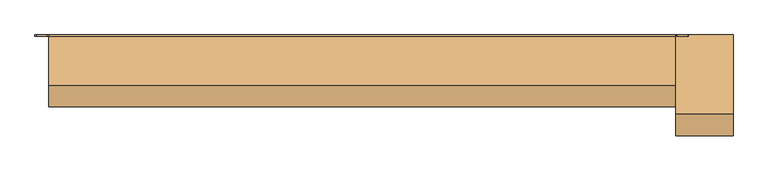
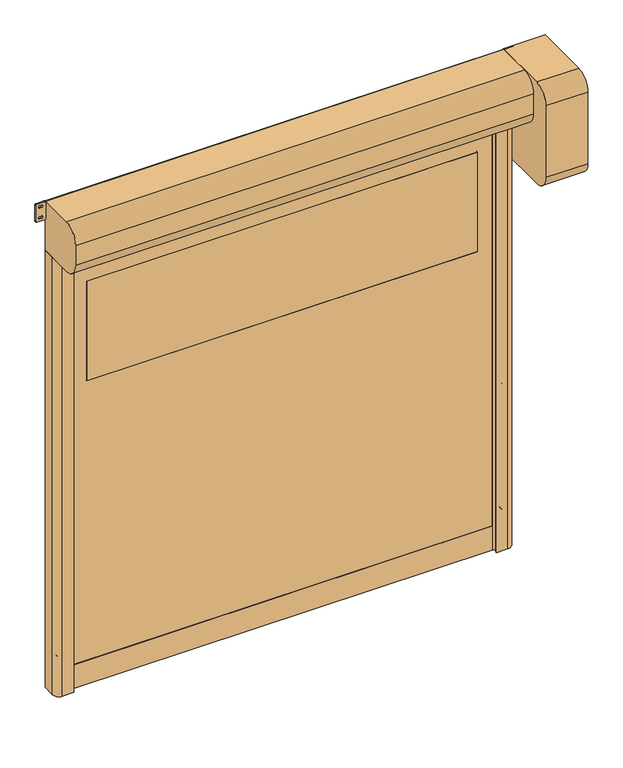
"""IFC4 building model written with IfcOpenShell, lengths in millimetres: door geometry."""

from ifc_helpers import new_model, si_unit, point, frame, frame_2d, origin, origin_with_axes, place, context, project, spatial, polyline, circle_curve, trimmed, segment, composite_curve, outline, extrude, source, transform, mapped, element, save


def door_0f29b29e(model_context):
    return source(origin(), model_context, "Body", "SweptSolid", [
        extrude(outline(composite_curve([segment(trimmed(circle_curve(frame_2d((1416.6666667, 1048.5)), 6.0), [point((1422.6666667, 1048.5))], [point((1410.6666667, 1048.5))], False, "CARTESIAN"), True, "CONTINUOUS"), segment(polyline([(1410.6666667, 1048.5), (1410.6666667, 1066.5)]), True, "CONTINUOUS"), segment(trimmed(circle_curve(frame_2d((1416.6666667, 1066.5)), 6.0), [point((1410.6666667, 1066.5))], [point((1422.6666667, 1066.5))], False, "CARTESIAN"), True, "CONTINUOUS"), segment(polyline([(1422.6666667, 1066.5), (1422.6666667, 1048.5)]), True, "CONTINUOUS")], self_intersect=False)), frame((0.0, -20.0, 0.0), z_axis=(0.0, 1.0, 0.0), x_axis=(0.0, 0.0, 1.0)), (0.0, 0.0, 1.0), 20.0),
        extrude(outline(composite_curve([segment(trimmed(circle_curve(frame_2d((783.3333333, 1048.5)), 6.0), [point((789.3333333, 1048.5))], [point((777.3333333, 1048.5))], False, "CARTESIAN"), True, "CONTINUOUS"), segment(polyline([(777.3333333, 1048.5), (777.3333333, 1066.5)]), True, "CONTINUOUS"), segment(trimmed(circle_curve(frame_2d((783.3333333, 1066.5)), 6.0), [point((777.3333333, 1066.5))], [point((789.3333333, 1066.5))], False, "CARTESIAN"), True, "CONTINUOUS"), segment(polyline([(789.3333333, 1066.5), (789.3333333, 1048.5)]), True, "CONTINUOUS")], self_intersect=False)), frame((0.0, -20.0, 0.0), z_axis=(0.0, 1.0, 0.0), x_axis=(0.0, 0.0, 1.0)), (0.0, 0.0, 1.0), 20.0),
        extrude(outline(composite_curve([segment(trimmed(circle_curve(frame_2d((2050.0, 1048.5)), 6.0), [point((2056.0, 1048.5))], [point((2044.0, 1048.5))], False, "CARTESIAN"), True, "CONTINUOUS"), segment(polyline([(2044.0, 1048.5), (2044.0, 1066.5)]), True, "CONTINUOUS"), segment(trimmed(circle_curve(frame_2d((2050.0, 1066.5)), 6.0), [point((2044.0, 1066.5))], [point((2056.0, 1066.5))], False, "CARTESIAN"), True, "CONTINUOUS"), segment(polyline([(2056.0, 1066.5), (2056.0, 1048.5)]), True, "CONTINUOUS")], self_intersect=False)), frame((0.0, -20.0, 0.0), z_axis=(0.0, 1.0, 0.0), x_axis=(0.0, 0.0, 1.0)), (0.0, 0.0, 1.0), 20.0),
        extrude(outline(composite_curve([segment(trimmed(circle_curve(frame_2d((150.0, 1048.5)), 6.0), [point((156.0, 1048.5))], [point((144.0, 1048.5))], False, "CARTESIAN"), True, "CONTINUOUS"), segment(polyline([(144.0, 1048.5), (144.0, 1066.5)]), True, "CONTINUOUS"), segment(trimmed(circle_curve(frame_2d((150.0, 1066.5)), 6.0), [point((144.0, 1066.5))], [point((156.0, 1066.5))], False, "CARTESIAN"), True, "CONTINUOUS"), segment(polyline([(156.0, 1066.5), (156.0, 1048.5)]), True, "CONTINUOUS")], self_intersect=False)), frame((0.0, -20.0, 0.0), z_axis=(0.0, 1.0, 0.0), x_axis=(0.0, 0.0, 1.0)), (0.0, 0.0, 1.0), 20.0),
        extrude(outline(composite_curve([segment(polyline([(1422.6666667, -1048.5), (1422.6666667, -1066.5)]), True, "CONTINUOUS"), segment(trimmed(circle_curve(frame_2d((1416.6666667, -1066.5)), 6.0), [point((1422.6666667, -1066.5))], [point((1410.6666667, -1066.5))], False, "CARTESIAN"), True, "CONTINUOUS"), segment(polyline([(1410.6666667, -1066.5), (1410.6666667, -1048.5)]), True, "CONTINUOUS"), segment(trimmed(circle_curve(frame_2d((1416.6666667, -1048.5)), 6.0), [point((1410.6666667, -1048.5))], [point((1422.6666667, -1048.5))], False, "CARTESIAN"), True, "CONTINUOUS")], self_intersect=False)), frame((0.0, -20.0, 0.0), z_axis=(0.0, 1.0, 0.0), x_axis=(0.0, 0.0, 1.0)), (0.0, 0.0, 1.0), 20.0),
        extrude(outline(composite_curve([segment(polyline([(789.3333333, -1048.5), (789.3333333, -1066.5)]), True, "CONTINUOUS"), segment(trimmed(circle_curve(frame_2d((783.3333333, -1066.5)), 6.0), [point((789.3333333, -1066.5))], [point((777.3333333, -1066.5))], False, "CARTESIAN"), True, "CONTINUOUS"), segment(polyline([(777.3333333, -1066.5), (777.3333333, -1048.5)]), True, "CONTINUOUS"), segment(trimmed(circle_curve(frame_2d((783.3333333, -1048.5)), 6.0), [point((777.3333333, -1048.5))], [point((789.3333333, -1048.5))], False, "CARTESIAN"), True, "CONTINUOUS")], self_intersect=False)), frame((0.0, -20.0, 0.0), z_axis=(0.0, 1.0, 0.0), x_axis=(0.0, 0.0, 1.0)), (0.0, 0.0, 1.0), 20.0),
        extrude(outline(composite_curve([segment(polyline([(2056.0, -1048.5), (2056.0, -1066.5)]), True, "CONTINUOUS"), segment(trimmed(circle_curve(frame_2d((2050.0, -1066.5)), 6.0), [point((2056.0, -1066.5))], [point((2044.0, -1066.5))], False, "CARTESIAN"), True, "CONTINUOUS"), segment(polyline([(2044.0, -1066.5), (2044.0, -1048.5)]), True, "CONTINUOUS"), segment(trimmed(circle_curve(frame_2d((2050.0, -1048.5)), 6.0), [point((2044.0, -1048.5))], [point((2056.0, -1048.5))], False, "CARTESIAN"), True, "CONTINUOUS")], self_intersect=False)), frame((0.0, -20.0, 0.0), z_axis=(0.0, 1.0, 0.0), x_axis=(0.0, 0.0, 1.0)), (0.0, 0.0, 1.0), 20.0),
        extrude(outline(composite_curve([segment(polyline([(156.0, -1048.5), (156.0, -1066.5)]), True, "CONTINUOUS"), segment(trimmed(circle_curve(frame_2d((150.0, -1066.5)), 6.0), [point((156.0, -1066.5))], [point((144.0, -1066.5))], False, "CARTESIAN"), True, "CONTINUOUS"), segment(polyline([(144.0, -1066.5), (144.0, -1048.5)]), True, "CONTINUOUS"), segment(trimmed(circle_curve(frame_2d((150.0, -1048.5)), 6.0), [point((144.0, -1048.5))], [point((156.0, -1048.5))], False, "CARTESIAN"), True, "CONTINUOUS")], self_intersect=False)), frame((0.0, -20.0, 0.0), z_axis=(0.0, 1.0, 0.0), x_axis=(0.0, 0.0, 1.0)), (0.0, 0.0, 1.0), 20.0),
        extrude(outline(composite_curve([segment(trimmed(circle_curve(frame_2d((1526.0, 929.0)), 1.0), [point((1525.0, 929.0))], [point((1526.0, 930.0))], False, "CARTESIAN"), True, "CONTINUOUS"), segment(polyline([(1526.0, 930.0), (2024.0, 930.0)]), True, "CONTINUOUS"), segment(trimmed(circle_curve(frame_2d((2024.0, 929.0)), 1.0), [point((2024.0, 930.0))], [point((2025.0, 929.0))], False, "CARTESIAN"), True, "CONTINUOUS"), segment(polyline([(2025.0, 929.0), (2025.0, -929.0)]), True, "CONTINUOUS"), segment(trimmed(circle_curve(frame_2d((2024.0, -929.0)), 1.0), [point((2025.0, -929.0))], [point((2024.0, -930.0))], False, "CARTESIAN"), True, "CONTINUOUS"), segment(polyline([(2024.0, -930.0), (1526.0, -930.0)]), True, "CONTINUOUS"), segment(trimmed(circle_curve(frame_2d((1526.0, -929.0)), 1.0), [point((1526.0, -930.0))], [point((1525.0, -929.0))], False, "CARTESIAN"), True, "CONTINUOUS"), segment(polyline([(1525.0, -929.0), (1525.0, 929.0)]), True, "CONTINUOUS")], self_intersect=False)), frame((0.0, -63.5, 0.0), z_axis=(0.0, 1.0, 0.0), x_axis=(0.0, 0.0, 1.0)), (0.0, 0.0, 1.0), 7.0),
        extrude(outline(polyline([(120.0, -1012.0), (120.0, 1012.0), (2325.0, 1012.0), (2325.0, -1012.0), (120.0, -1012.0)]), holes=[composite_curve([segment(trimmed(circle_curve(frame_2d((1526.0, 929.0)), 1.0), [point((1526.0, 930.0))], [point((1525.0, 929.0))], True, "CARTESIAN"), True, "CONTINUOUS"), segment(polyline([(1525.0, 929.0), (1525.0, -929.0)]), True, "CONTINUOUS"), segment(trimmed(circle_curve(frame_2d((1526.0, -929.0)), 1.0), [point((1525.0, -929.0))], [point((1526.0, -930.0))], True, "CARTESIAN"), True, "CONTINUOUS"), segment(polyline([(1526.0, -930.0), (2024.0, -930.0)]), True, "CONTINUOUS"), segment(trimmed(circle_curve(frame_2d((2024.0, -929.0)), 1.0), [point((2024.0, -930.0))], [point((2025.0, -929.0))], True, "CARTESIAN"), True, "CONTINUOUS"), segment(polyline([(2025.0, -929.0), (2025.0, 929.0)]), True, "CONTINUOUS"), segment(trimmed(circle_curve(frame_2d((2024.0, 929.0)), 1.0), [point((2025.0, 929.0))], [point((2024.0, 930.0))], True, "CARTESIAN"), True, "CONTINUOUS"), segment(polyline([(2024.0, 930.0), (1526.0, 930.0)]), True, "CONTINUOUS")], self_intersect=False)]), frame((0.0, -63.5, 0.0), z_axis=(0.0, 1.0, 0.0), x_axis=(0.0, 0.0, 1.0)), (0.0, 0.0, 1.0), 7.0),
        extrude(outline(polyline([(-1012.0, -54.5), (1012.0, -54.5), (1012.0, -65.5), (-1012.0, -65.5), (-1012.0, -54.5)])), origin_with_axes(), (0.0, 0.0, 1.0), 120.0),
        extrude(outline(composite_curve([segment(trimmed(circle_curve(frame_2d((2363.75, 1095.75)), 5.75), [point((2363.75, 1090.0))], [point((2358.0, 1095.75))], False, "CARTESIAN"), True, "CONTINUOUS"), segment(polyline([(2358.0, 1095.75), (2358.0, 1133.25)]), True, "CONTINUOUS"), segment(trimmed(circle_curve(frame_2d((2363.75, 1133.25)), 5.75), [point((2358.0, 1133.25))], [point((2363.75, 1139.0))], False, "CARTESIAN"), True, "CONTINUOUS"), segment(polyline([(2363.75, 1139.0), (2444.25, 1139.0)]), True, "CONTINUOUS"), segment(trimmed(circle_curve(frame_2d((2444.25, 1133.25)), 5.75), [point((2444.25, 1139.0))], [point((2450.0, 1133.25))], False, "CARTESIAN"), True, "CONTINUOUS"), segment(polyline([(2450.0, 1133.25), (2450.0, 1095.75)]), True, "CONTINUOUS"), segment(trimmed(circle_curve(frame_2d((2444.25, 1095.75)), 5.75), [point((2450.0, 1095.75))], [point((2444.25, 1090.0))], False, "CARTESIAN"), True, "CONTINUOUS"), segment(polyline([(2444.25, 1090.0), (2363.75, 1090.0)]), True, "CONTINUOUS")], self_intersect=False), holes=[composite_curve([segment(trimmed(circle_curve(frame_2d((2431.5, 1118.75)), 5.75), [point((2437.25, 1118.75))], [point((2425.75, 1118.75))], True, "CARTESIAN"), True, "CONTINUOUS"), segment(polyline([(2425.75, 1118.75), (2425.75, 1110.25)]), True, "CONTINUOUS"), segment(trimmed(circle_curve(frame_2d((2431.5, 1110.25)), 5.75), [point((2425.75, 1110.25))], [point((2437.25, 1110.25))], True, "CARTESIAN"), True, "CONTINUOUS"), segment(polyline([(2437.25, 1110.25), (2437.25, 1118.75)]), True, "CONTINUOUS")], self_intersect=False), composite_curve([segment(trimmed(circle_curve(frame_2d((2376.5, 1118.75)), 5.75), [point((2382.25, 1118.75))], [point((2370.75, 1118.75))], True, "CARTESIAN"), True, "CONTINUOUS"), segment(polyline([(2370.75, 1118.75), (2370.75, 1110.25)]), True, "CONTINUOUS"), segment(trimmed(circle_curve(frame_2d((2376.5, 1110.25)), 5.75), [point((2370.75, 1110.25))], [point((2382.25, 1110.25))], True, "CARTESIAN"), True, "CONTINUOUS"), segment(polyline([(2382.25, 1110.25), (2382.25, 1118.75)]), True, "CONTINUOUS")], self_intersect=False)]), frame((0.0, -5.0, 0.0), z_axis=(0.0, 1.0, 0.0), x_axis=(0.0, 0.0, 1.0)), (0.0, 0.0, 1.0), 5.0),
        extrude(outline(composite_curve([segment(trimmed(circle_curve(frame_2d((2363.75, -1133.25)), 5.75), [point((2363.75, -1139.0))], [point((2358.0, -1133.25))], False, "CARTESIAN"), True, "CONTINUOUS"), segment(polyline([(2358.0, -1133.25), (2358.0, -1095.75)]), True, "CONTINUOUS"), segment(trimmed(circle_curve(frame_2d((2363.75, -1095.75)), 5.75), [point((2358.0, -1095.75))], [point((2363.75, -1090.0))], False, "CARTESIAN"), True, "CONTINUOUS"), segment(polyline([(2363.75, -1090.0), (2444.25, -1090.0)]), True, "CONTINUOUS"), segment(trimmed(circle_curve(frame_2d((2444.25, -1095.75)), 5.75), [point((2444.25, -1090.0))], [point((2450.0, -1095.75))], False, "CARTESIAN"), True, "CONTINUOUS"), segment(polyline([(2450.0, -1095.75), (2450.0, -1133.25)]), True, "CONTINUOUS"), segment(trimmed(circle_curve(frame_2d((2444.25, -1133.25)), 5.75), [point((2450.0, -1133.25))], [point((2444.25, -1139.0))], False, "CARTESIAN"), True, "CONTINUOUS"), segment(polyline([(2444.25, -1139.0), (2363.75, -1139.0)]), True, "CONTINUOUS")], self_intersect=False), holes=[composite_curve([segment(trimmed(circle_curve(frame_2d((2431.5, -1110.25)), 5.75), [point((2437.25, -1110.25))], [point((2425.75, -1110.25))], True, "CARTESIAN"), True, "CONTINUOUS"), segment(polyline([(2425.75, -1110.25), (2425.75, -1118.75)]), True, "CONTINUOUS"), segment(trimmed(circle_curve(frame_2d((2431.5, -1118.75)), 5.75), [point((2425.75, -1118.75))], [point((2437.25, -1118.75))], True, "CARTESIAN"), True, "CONTINUOUS"), segment(polyline([(2437.25, -1118.75), (2437.25, -1110.25)]), True, "CONTINUOUS")], self_intersect=False), composite_curve([segment(trimmed(circle_curve(frame_2d((2376.5, -1110.25)), 5.75), [point((2382.25, -1110.25))], [point((2370.75, -1110.25))], True, "CARTESIAN"), True, "CONTINUOUS"), segment(polyline([(2370.75, -1110.25), (2370.75, -1118.75)]), True, "CONTINUOUS"), segment(trimmed(circle_curve(frame_2d((2376.5, -1118.75)), 5.75), [point((2370.75, -1118.75))], [point((2382.25, -1118.75))], True, "CARTESIAN"), True, "CONTINUOUS"), segment(polyline([(2382.25, -1118.75), (2382.25, -1110.25)]), True, "CONTINUOUS")], self_intersect=False)]), frame((0.0, -5.0, 0.0), z_axis=(0.0, 1.0, 0.0), x_axis=(0.0, 0.0, 1.0)), (0.0, 0.0, 1.0), 5.0),
        extrude(outline(composite_curve([segment(polyline([(-1090.0, 0.0), (-1015.0, 0.0), (-1015.0, -44.2857143), (-1035.0, -50.0), (-1000.0, -50.0), (-1000.0, -56.5), (-1020.0, -56.5), (-1020.0, -63.5), (-1000.0, -63.5), (-1000.0, -70.0), (-1035.0, -70.0), (-1035.0, -85.0), (-1005.0, -85.0), (-1005.0, -90.0), (-1060.0, -90.0)]), True, "CONTINUOUS"), segment(trimmed(circle_curve(frame_2d((-1060.0, -60.0)), 30.0), [point((-1060.0, -90.0))], [point((-1090.0, -60.0))], False, "CARTESIAN"), True, "CONTINUOUS"), segment(polyline([(-1090.0, -60.0), (-1090.0, 0.0)]), True, "CONTINUOUS")], self_intersect=False)), origin_with_axes(), (0.0, 0.0, 1.0), 2200.0),
        extrude(outline(composite_curve([segment(polyline([(1090.0, 0.0), (1090.0, -60.0)]), True, "CONTINUOUS"), segment(trimmed(circle_curve(frame_2d((1060.0, -60.0)), 30.0), [point((1090.0, -60.0))], [point((1060.0, -90.0))], False, "CARTESIAN"), True, "CONTINUOUS"), segment(polyline([(1060.0, -90.0), (1005.0, -90.0), (1005.0, -85.0), (1035.0, -85.0), (1035.0, -70.0), (1000.0, -70.0), (1000.0, -63.5), (1020.0, -63.5), (1020.0, -56.5), (1000.0, -56.5), (1000.0, -50.0), (1035.0, -50.0), (1015.0, -44.2857143), (1015.0, 0.0), (1090.0, 0.0)]), True, "CONTINUOUS")], self_intersect=False)), origin_with_axes(), (0.0, 0.0, 1.0), 2200.0),
        extrude(outline(composite_curve([segment(polyline([(0.0, 2450.0), (0.0, 1940.0), (-275.0, 1940.0)]), True, "CONTINUOUS"), segment(trimmed(circle_curve(frame_2d((-275.0, 2015.0)), 75.0), [point((-275.0, 1940.0))], [point((-350.0, 2015.0))], False, "CARTESIAN"), True, "CONTINUOUS"), segment(polyline([(-350.0, 2015.0), (-350.0, 2375.0)]), True, "CONTINUOUS"), segment(trimmed(circle_curve(frame_2d((-275.0, 2375.0)), 75.0), [point((-350.0, 2375.0))], [point((-275.0, 2450.0))], False, "CARTESIAN"), True, "CONTINUOUS"), segment(polyline([(-275.0, 2450.0), (0.0, 2450.0)]), True, "CONTINUOUS")], self_intersect=False)), frame((1090.0, 0.0, 0.0), z_axis=(1.0, 0.0, 0.0), x_axis=(0.0, 1.0, 0.0)), (0.0, 0.0, 1.0), 200.0),
        extrude(outline(composite_curve([segment(trimmed(circle_curve(frame_2d((-5.0, 2205.0)), 5.0), [point((0.0, 2205.0))], [point((-5.0, 2200.0))], False, "CARTESIAN"), True, "CONTINUOUS"), segment(polyline([(-5.0, 2200.0), (-175.0, 2200.0)]), True, "CONTINUOUS"), segment(trimmed(circle_curve(frame_2d((-175.0, 2275.0)), 75.0), [point((-175.0, 2200.0))], [point((-250.0, 2275.0))], False, "CARTESIAN"), True, "CONTINUOUS"), segment(polyline([(-250.0, 2275.0), (-250.0, 2375.0)]), True, "CONTINUOUS"), segment(trimmed(circle_curve(frame_2d((-175.0, 2375.0)), 75.0), [point((-250.0, 2375.0))], [point((-175.0, 2450.0))], False, "CARTESIAN"), True, "CONTINUOUS"), segment(polyline([(-175.0, 2450.0), (-5.0, 2450.0)]), True, "CONTINUOUS"), segment(trimmed(circle_curve(frame_2d((-5.0, 2445.0)), 5.0), [point((-5.0, 2450.0))], [point((0.0, 2445.0))], False, "CARTESIAN"), True, "CONTINUOUS"), segment(polyline([(0.0, 2445.0), (0.0, 2205.0)]), True, "CONTINUOUS")], self_intersect=False)), frame((-1090.0, 0.0, 0.0), z_axis=(1.0, 0.0, 0.0), x_axis=(0.0, 1.0, 0.0)), (0.0, 0.0, 1.0), 2180.0),
    ])


if __name__ == "__main__":
    model = new_model("IFC4")
    model_context = context("Model", 3, world=origin())
    ifc_project = project(units=[si_unit("LENGTHUNIT", "METRE", prefix="MILLI")], contexts=[model_context])
    site = spatial("IfcSite", under=ifc_project)
    building = spatial("IfcBuilding", under=site)
    placement = place(None, origin())
    door_shape = door_0f29b29e(model_context)
    element("IfcDoor", 1, at=placement, inside=building, context=model_context, shape_type="MappedRepresentation", body=[
        mapped(door_shape, transform((0.0, 0.0, 0.0), x_axis=(1.0, 0.0, 0.0), y_axis=(0.0, 1.0, 0.0), z_axis=(0.0, 0.0, 1.0))),
    ])
    save(model, "model.ifc")
